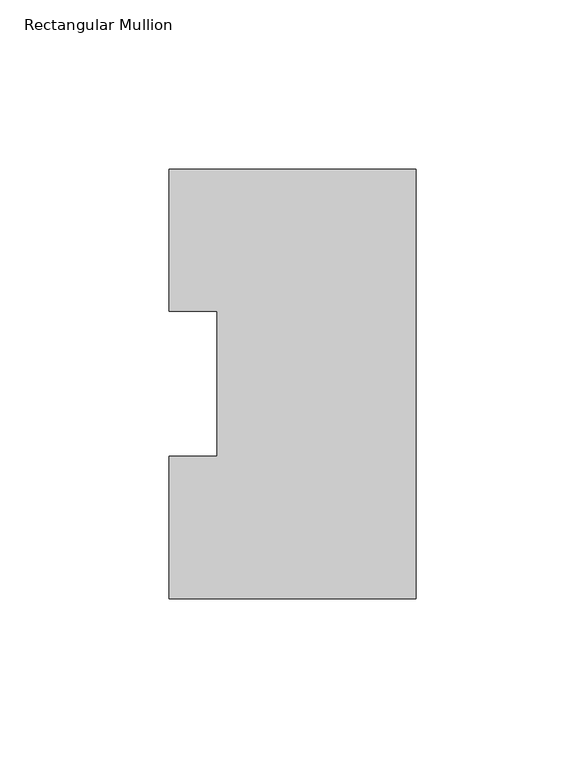
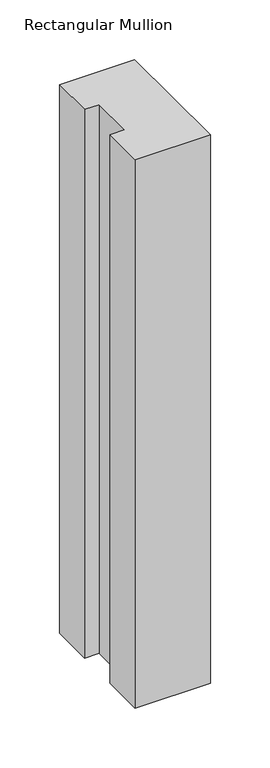
"""IFC4 building model written with IfcOpenShell, lengths in millimetres: member geometry, Rectangular Mullion."""

from ifc_helpers import new_model, si_unit, frame, origin, place, context, project, spatial, polyline, outline, extrude, source, transform, mapped, element, save


def rectangular_mullion_d594cf06(model_context):
    return source(origin(), model_context, "Body", "SweptSolid", [
        extrude(outline(polyline([(0.0, 126.7086937), (0.0, -0.2913063), (-73.025, -0.2913063), (-73.025, 41.7837937), (-58.7375, 41.7837937), (-58.7375, 84.6335938), (-73.025, 84.6335938), (-73.025, 126.7086937), (0.0, 126.7086937)])), frame((0.0, 0.0, -561.9813827), z_axis=(0.0, 0.0, 1.0), x_axis=(1.0, 0.0, 0.0)), (0.0, 0.0, 1.0), 561.9813827),
    ])


if __name__ == "__main__":
    model = new_model("IFC4")
    model_context = context("Model", 3, world=origin())
    ifc_project = project(units=[si_unit("LENGTHUNIT", "METRE", prefix="MILLI")], contexts=[model_context])
    site = spatial("IfcSite", under=ifc_project)
    building = spatial("IfcBuilding", under=site)
    placement = place(None, origin())
    rectangular_mullion_shape = rectangular_mullion_d594cf06(model_context)
    element("IfcMember", 1, ObjectType="Rectangular Mullion", at=placement, inside=building, context=model_context, shape_type="MappedRepresentation", body=[
        mapped(rectangular_mullion_shape, transform((0.0, 0.0, 0.0), x_axis=(1.0, 0.0, 0.0), y_axis=(0.0, 1.0, 0.0), z_axis=(0.0, 0.0, 1.0))),
    ])
    save(model, "model.ifc")
